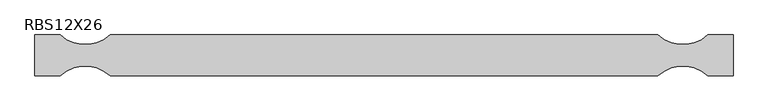
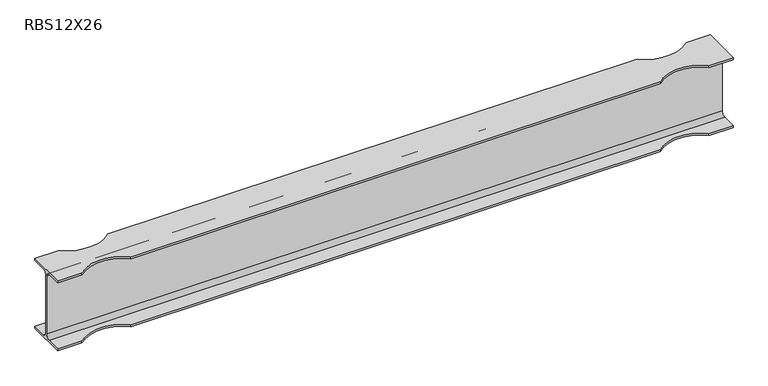
"""IFC4 building model written with IfcOpenShell, lengths in millimetres: beam geometry, RBS12X26."""

from ifc_helpers import new_model, si_unit, frame, origin, place, context, project, spatial, polyline, circle_curve, source, transform, mapped, element, save
from ifc_brep_helpers import plane_surface, revolved_surface, advanced_brep


def rbs12x26_db9b8c52(model_context):
    return source(origin(), model_context, "Body", "AdvancedBrep", [
        advanced_brep(
        [(1411.5496377, 82.4011719, -145.5539063), (1411.5496377, 20.2902344, -145.5539063), (1411.5496377, 2.9269531, -128.190625), (1411.5496377, 2.9269531, 128.190625), (1411.5496377, 20.2902344, 145.5539062), (1411.5496377, 82.4011719, 145.5539062), (1411.5496377, 82.4011719, 155.178125), (1411.5496377, -82.4011719, 155.178125), (1411.5496377, -82.4011719, 145.5539062), (1411.5496377, -20.2902344, 145.5539062), (1411.5496377, -2.9269531, 128.190625), (1411.5496377, -2.9269531, -128.190625), (1411.5496377, -20.2902344, -145.5539063), (1411.5496377, -82.4011719, -145.5539063), (1411.5496377, -82.4011719, -155.178125), (1411.5496377, 82.4011719, -155.178125), (-1411.5496377, 82.4011719, -145.5539063), (-1411.5496377, 82.4011719, -155.178125), (-1411.5496377, -82.4011719, -155.178125), (-1411.5496377, -82.4011719, -145.5539063), (-1411.5496377, -20.2902344, -145.5539063), (-1411.5496377, -2.9269531, -128.190625), (-1411.5496377, -2.9269531, 128.190625), (-1411.5496377, -20.2902344, 145.5539062), (-1411.5496377, -82.4011719, 145.5539062), (-1411.5496377, -82.4011719, 155.178125), (-1411.5496377, 82.4011719, 155.178125), (-1411.5496377, 82.4011719, 145.5539062), (-1411.5496377, 20.2902344, 145.5539062), (-1411.5496377, 2.9269531, 128.190625), (-1411.5496377, 2.9269531, -128.190625), (-1411.5496377, 20.2902344, -145.5539063), (1309.9496377, 82.4011719, -145.5539063), (1106.7496377, 82.4011719, -145.5539063), (-1106.7496377, 82.4011719, -145.5539063), (-1309.9496377, 82.4011719, -145.5539063), (-1309.9496377, 82.4011719, 145.5539062), (-1106.7496377, 82.4011719, 145.5539062), (1106.7496377, 82.4011719, 145.5539062), (1309.9496377, 82.4011719, 145.5539062), (1309.9496377, 82.4011719, 155.178125), (-1309.9496377, 82.4011719, 155.178125), (-1106.7496377, 82.4011719, 155.178125), (1106.7496377, 82.4011719, 155.178125), (-1309.9496377, -82.4011719, 155.178125), (-1106.7496377, -82.4011719, 155.178125), (1106.7496377, -82.4011719, 155.178125), (1309.9496377, -82.4011719, 155.178125), (1309.9496377, -82.4011719, 145.5539062), (-1309.9496377, -82.4011719, 145.5539062), (-1106.7496377, -82.4011719, 145.5539062), (1106.7496377, -82.4011719, 145.5539062), (-1309.9496377, -82.4011719, -145.5539063), (-1106.7496377, -82.4011719, -145.5539063), (1106.7496377, -82.4011719, -145.5539063), (1309.9496377, -82.4011719, -145.5539063), (1309.9496377, -82.4011719, -155.178125), (-1309.9496377, -82.4011719, -155.178125), (-1106.7496377, -82.4011719, -155.178125), (1106.7496377, -82.4011719, -155.178125), (-1309.9496377, 82.4011719, -155.178125), (-1106.7496377, 82.4011719, -155.178125), (1106.7496377, 82.4011719, -155.178125), (1309.9496377, 82.4011719, -155.178125)],
        [
            (0, 1),
            (1, 2, circle_curve(frame((1411.5496377, 20.2902344, -128.190625), z_axis=(-1.0, 0.0, 0.0), x_axis=(0.0, -1.0, 0.0)), 17.3632812)),
            (2, 3),
            (3, 4, circle_curve(frame((1411.5496377, 20.2902344, 128.190625), z_axis=(-1.0, 0.0, 0.0), x_axis=(0.0, -1.0, 0.0)), 17.3632812)),
            (4, 5),
            (5, 6),
            (6, 7),
            (7, 8),
            (8, 9),
            (9, 10, circle_curve(frame((1411.5496377, -20.2902344, 128.190625), z_axis=(-1.0, 0.0, 0.0), x_axis=(0.0, -1.0, 0.0)), 17.3632812)),
            (10, 11),
            (11, 12, circle_curve(frame((1411.5496377, -20.2902344, -128.190625), z_axis=(-1.0, 0.0, 0.0), x_axis=(0.0, -1.0, 0.0)), 17.3632812)),
            (12, 13),
            (13, 14),
            (14, 15),
            (15, 0),
            (16, 17),
            (17, 18),
            (18, 19),
            (19, 20),
            (20, 21, circle_curve(frame((-1411.5496377, -20.2902344, -128.190625), z_axis=(1.0, 0.0, 0.0), x_axis=(0.0, -1.0, 0.0)), 17.3632812)),
            (21, 22),
            (22, 23, circle_curve(frame((-1411.5496377, -20.2902344, 128.190625), z_axis=(1.0, 0.0, 0.0), x_axis=(0.0, -1.0, 0.0)), 17.3632812)),
            (23, 24),
            (24, 25),
            (25, 26),
            (26, 27),
            (27, 28),
            (28, 29, circle_curve(frame((-1411.5496377, 20.2902344, 128.190625), z_axis=(1.0, 0.0, 0.0), x_axis=(0.0, -1.0, 0.0)), 17.3632812)),
            (29, 30),
            (30, 31, circle_curve(frame((-1411.5496377, 20.2902344, -128.190625), z_axis=(1.0, 0.0, 0.0), x_axis=(0.0, -1.0, 0.0)), 17.3632812)),
            (31, 16),
            (0, 32),
            (32, 33, circle_curve(frame((1208.3496377, 195.9934251, -145.5539063), z_axis=(0.0, 0.0, -1.0), x_axis=(0.0, 1.0, 0.0)), 152.4)),
            (33, 34),
            (34, 35, circle_curve(frame((-1208.3496377, 195.9934251, -145.5539063), z_axis=(0.0, 0.0, -1.0), x_axis=(0.0, 1.0, 0.0)), 152.4)),
            (35, 16),
            (31, 1),
            (30, 2),
            (29, 3),
            (28, 4),
            (27, 36),
            (36, 37, circle_curve(frame((-1208.3496377, 195.9934251, 145.5539062), z_axis=(0.0, 0.0, 1.0), x_axis=(0.0, 1.0, 0.0)), 152.4)),
            (37, 38),
            (38, 39, circle_curve(frame((1208.3496377, 195.9934251, 145.5539062), z_axis=(0.0, 0.0, 1.0), x_axis=(0.0, 1.0, 0.0)), 152.4)),
            (39, 5),
            (39, 40),
            (40, 6),
            (26, 41),
            (41, 36),
            (37, 42),
            (42, 43),
            (43, 38),
            (40, 43, circle_curve(frame((1208.3496377, 195.9934251, 155.178125), z_axis=(0.0, 0.0, -1.0), x_axis=(0.0, 1.0, 0.0)), 152.4)),
            (42, 41, circle_curve(frame((-1208.3496377, 195.9934251, 155.178125), z_axis=(0.0, 0.0, -1.0), x_axis=(0.0, 1.0, 0.0)), 152.4)),
            (25, 44),
            (44, 45, circle_curve(frame((-1208.3496377, -195.9934251, 155.178125), z_axis=(0.0, 0.0, -1.0), x_axis=(0.0, 1.0, 0.0)), 152.4)),
            (45, 46),
            (46, 47, circle_curve(frame((1208.3496377, -195.9934251, 155.178125), z_axis=(0.0, 0.0, -1.0), x_axis=(0.0, 1.0, 0.0)), 152.4)),
            (47, 7),
            (47, 48),
            (48, 8),
            (24, 49),
            (49, 44),
            (45, 50),
            (50, 51),
            (51, 46),
            (48, 51, circle_curve(frame((1208.3496377, -195.9934251, 145.5539062), z_axis=(0.0, 0.0, 1.0), x_axis=(0.0, 1.0, 0.0)), 152.4)),
            (50, 49, circle_curve(frame((-1208.3496377, -195.9934251, 145.5539062), z_axis=(0.0, 0.0, 1.0), x_axis=(0.0, 1.0, 0.0)), 152.4)),
            (23, 9),
            (22, 10),
            (21, 11),
            (20, 12),
            (19, 52),
            (52, 53, circle_curve(frame((-1208.3496377, -195.9934251, -145.5539063), z_axis=(0.0, 0.0, -1.0), x_axis=(0.0, 1.0, 0.0)), 152.4)),
            (53, 54),
            (54, 55, circle_curve(frame((1208.3496377, -195.9934251, -145.5539063), z_axis=(0.0, 0.0, -1.0), x_axis=(0.0, 1.0, 0.0)), 152.4)),
            (55, 13),
            (55, 56),
            (56, 14),
            (18, 57),
            (57, 52),
            (53, 58),
            (58, 59),
            (59, 54),
            (56, 59, circle_curve(frame((1208.3496377, -195.9934251, -155.178125), z_axis=(0.0, 0.0, 1.0), x_axis=(0.0, 1.0, 0.0)), 152.4)),
            (58, 57, circle_curve(frame((-1208.3496377, -195.9934251, -155.178125), z_axis=(0.0, 0.0, 1.0), x_axis=(0.0, 1.0, 0.0)), 152.4)),
            (17, 60),
            (60, 61, circle_curve(frame((-1208.3496377, 195.9934251, -155.178125), z_axis=(0.0, 0.0, 1.0), x_axis=(0.0, 1.0, 0.0)), 152.4)),
            (61, 62),
            (62, 63, circle_curve(frame((1208.3496377, 195.9934251, -155.178125), z_axis=(0.0, 0.0, 1.0), x_axis=(0.0, 1.0, 0.0)), 152.4)),
            (63, 15),
            (63, 32),
            (35, 60),
            (61, 34),
            (33, 62),
        ],
        [
            plane_surface(frame((1411.5496377, 0.0, 0.0), z_axis=(1.0, 0.0, 0.0), x_axis=(0.0, 0.0, 1.0))),
            plane_surface(frame((-1411.5496377, 0.0, 0.0), z_axis=(-1.0, 0.0, 0.0), x_axis=(0.0, 0.0, 1.0))),
            plane_surface(frame((1411.5496377, 82.4011719, -145.5539063), z_axis=(0.0, 0.0, 1.0), x_axis=(-1.0, 0.0, 0.0))),
            revolved_surface(polyline([(-1411.5496377, 2.9269532, -128.190625), (1411.5496377, 2.9269532, -128.190625)]), (1411.5496377, 20.2902344, -128.190625), (-1.0, 0.0, 0.0)),
            plane_surface(frame((1411.5496377, 2.9269531, -128.190625), z_axis=(0.0, 1.0, 0.0), x_axis=(-1.0, 0.0, 0.0))),
            revolved_surface(polyline([(-1411.5496377, 2.9269532, 128.190625), (1411.5496377, 2.9269532, 128.190625)]), (1411.5496377, 20.2902344, 128.190625), (-1.0, 0.0, 0.0)),
            plane_surface(frame((1411.5496377, 20.2902344, 145.5539062), z_axis=(0.0, 0.0, -1.0), x_axis=(-1.0, 0.0, 0.0))),
            plane_surface(frame((1411.5496377, 82.4011719, 145.5539062), z_axis=(0.0, 1.0, 0.0), x_axis=(-1.0, 0.0, 0.0))),
            plane_surface(frame((1411.5496377, 82.4011719, 155.178125), z_axis=(0.0, 0.0, 1.0), x_axis=(-1.0, 0.0, 0.0))),
            plane_surface(frame((1411.5496377, -82.4011719, 155.178125), z_axis=(0.0, -1.0, 0.0), x_axis=(-1.0, 0.0, 0.0))),
            plane_surface(frame((1411.5496377, -82.4011719, 145.5539062), z_axis=(0.0, 0.0, -1.0), x_axis=(-1.0, 0.0, 0.0))),
            revolved_surface(polyline([(-1411.5496377, -37.6535156, 128.190625), (1411.5496377, -37.6535156, 128.190625)]), (1411.5496377, -20.2902344, 128.190625), (-1.0, 0.0, 0.0)),
            plane_surface(frame((1411.5496377, -2.9269531, 128.190625), z_axis=(0.0, -1.0, 0.0), x_axis=(-1.0, 0.0, 0.0))),
            revolved_surface(polyline([(-1411.5496377, -37.6535156, -128.190625), (1411.5496377, -37.6535156, -128.190625)]), (1411.5496377, -20.2902344, -128.190625), (-1.0, 0.0, 0.0)),
            plane_surface(frame((1411.5496377, -20.2902344, -145.5539063), z_axis=(0.0, 0.0, 1.0), x_axis=(-1.0, 0.0, 0.0))),
            plane_surface(frame((1411.5496377, -82.4011719, -145.5539063), z_axis=(0.0, -1.0, 0.0), x_axis=(-1.0, 0.0, 0.0))),
            plane_surface(frame((1411.5496377, -82.4011719, -155.178125), z_axis=(0.0, 0.0, -1.0), x_axis=(-1.0, 0.0, 0.0))),
            plane_surface(frame((1411.5496377, 82.4011719, -155.178125), z_axis=(0.0, 1.0, 0.0), x_axis=(-1.0, 0.0, 0.0))),
            revolved_surface(polyline([(-1208.3496377, -43.59342509999999, 155.178125), (-1208.3496377, -43.59342509999999, 145.5539062)]), (-1208.3496377, -195.9934251, -155.178125), (0.0, 0.0, 1.0)),
            revolved_surface(polyline([(-1208.3496377, -43.59342509999999, -145.5539063), (-1208.3496377, -43.59342509999999, -155.178125)]), (-1208.3496377, -195.9934251, -155.178125), (0.0, 0.0, 1.0)),
            revolved_surface(polyline([(-1208.3496377, 348.3934251, -145.5539063), (-1208.3496377, 348.3934251, -155.178125)]), (-1208.3496377, 195.9934251, -155.178125), (0.0, 0.0, 1.0)),
            revolved_surface(polyline([(-1208.3496377, 348.3934251, 155.178125), (-1208.3496377, 348.3934251, 145.5539062)]), (-1208.3496377, 195.9934251, -155.178125), (0.0, 0.0, 1.0)),
            revolved_surface(polyline([(1208.3496377, -43.59342509999999, 155.178125), (1208.3496377, -43.59342509999999, 145.5539062)]), (1208.3496377, -195.9934251, -155.178125), (0.0, 0.0, 1.0)),
            revolved_surface(polyline([(1208.3496377, -43.59342509999999, -145.5539063), (1208.3496377, -43.59342509999999, -155.178125)]), (1208.3496377, -195.9934251, -155.178125), (0.0, 0.0, 1.0)),
            revolved_surface(polyline([(1208.3496377, 348.3934251, -145.5539063), (1208.3496377, 348.3934251, -155.178125)]), (1208.3496377, 195.9934251, -155.178125), (0.0, 0.0, 1.0)),
            revolved_surface(polyline([(1208.3496377, 348.3934251, 155.178125), (1208.3496377, 348.3934251, 145.5539062)]), (1208.3496377, 195.9934251, -155.178125), (0.0, 0.0, 1.0)),
        ],
        [
            (0, [[1, 2, 3, 4, 5, 6, 7, 8, 9, 10, 11, 12, 13, 14, 15, 16]]),
            (1, [[17, 18, 19, 20, 21, 22, 23, 24, 25, 26, 27, 28, 29, 30, 31, 32]]),
            (2, [[-1, 33, 34, 35, 36, 37, -32, 38]]),
            (3, [[-2, -38, -31, 39]]),
            (4, [[-3, -39, -30, 40]]),
            (5, [[-4, -40, -29, 41]]),
            (6, [[-5, -41, -28, 42, 43, 44, 45, 46]]),
            (7, [[-6, -46, 47, 48]]),
            (7, [[-27, 49, 50, -42]]),
            (7, [[51, 52, 53, -44]]),
            (8, [[-7, -48, 54, -52, 55, -49, -26, 56, 57, 58, 59, 60]]),
            (9, [[-8, -60, 61, 62]]),
            (9, [[-25, 63, 64, -56]]),
            (9, [[65, 66, 67, -58]]),
            (10, [[-9, -62, 68, -66, 69, -63, -24, 70]]),
            (11, [[-10, -70, -23, 71]]),
            (12, [[-11, -71, -22, 72]]),
            (13, [[-12, -72, -21, 73]]),
            (14, [[-13, -73, -20, 74, 75, 76, 77, 78]]),
            (15, [[-14, -78, 79, 80]]),
            (15, [[-19, 81, 82, -74]]),
            (15, [[83, 84, 85, -76]]),
            (16, [[-15, -80, 86, -84, 87, -81, -18, 88, 89, 90, 91, 92]]),
            (17, [[-16, -92, 93, -33]]),
            (17, [[-17, -37, 94, -88]]),
            (17, [[95, -35, 96, -90]]),
            (18, [[-57, -64, -69, -65]]),
            (19, [[-75, -82, -87, -83]]),
            (20, [[-36, -95, -89, -94]]),
            (21, [[-43, -50, -55, -51]]),
            (22, [[-59, -67, -68, -61]]),
            (23, [[-77, -85, -86, -79]]),
            (24, [[-34, -93, -91, -96]]),
            (25, [[-45, -53, -54, -47]]),
        ],
    ),
    ])


if __name__ == "__main__":
    model = new_model("IFC4")
    model_context = context("Model", 3, world=origin())
    ifc_project = project(units=[si_unit("LENGTHUNIT", "METRE", prefix="MILLI")], contexts=[model_context])
    site = spatial("IfcSite", under=ifc_project)
    building = spatial("IfcBuilding", under=site)
    placement = place(None, origin())
    rbs12x26_shape = rbs12x26_db9b8c52(model_context)
    element("IfcBeam", 1, ObjectType="RBS12X26", at=placement, inside=building, context=model_context, shape_type="MappedRepresentation", body=[
        mapped(rbs12x26_shape, transform((0.0, 0.0, 0.0), x_axis=(1.0, 0.0, 0.0), y_axis=(0.0, 1.0, 0.0), z_axis=(0.0, 0.0, 1.0))),
    ])
    save(model, "model.ifc")
